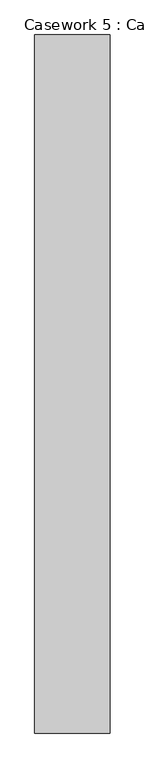
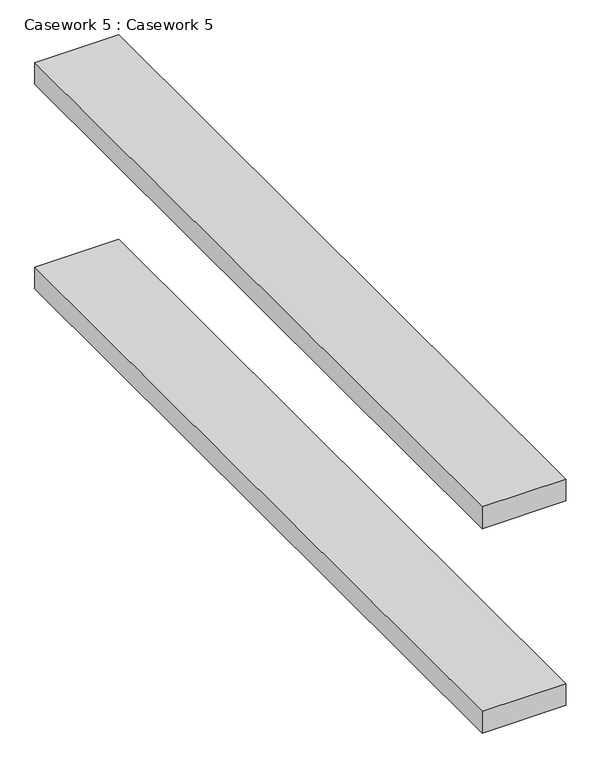
"""IFC4 building model written with IfcOpenShell, lengths in millimetres: furniture geometry, Casework 5 : Casework 5."""

import ifcopenshell
import ifcopenshell.guid

model = None  # the IFC model being written
_history = None  # IfcOwnerHistory: only IFC2X3 demands one
_inside = {}  # id of a spatial element -> (the spatial element, [elements in it])
_under = {}  # id of a project, library or spatial element -> (it, [spatial elements below it])
_declared = {}  # id of a project -> (the project, [libraries it declares])
_typed = {}  # id of a type object -> (the type object, [elements of that type])
_made_of = {}  # id of a material, layer set ... -> (it, [elements and type objects made of it])


def new_model(schema):
    """Start an empty IFC model of exactly this schema.

    Asked for "IFC4X3", IfcOpenShell would pick the latest addendum, in which some entities
    have other attributes; the version numbers below select the first issue.
    IFC2X3 requires an IfcOwnerHistory on every rooted entity: one is made here for all.
    """
    global model, _history
    if schema == "IFC4X3":
        model = ifcopenshell.file(schema_version=(4, 3, 0, 0))
    else:
        model = ifcopenshell.file(schema=schema)
    _inside.clear()
    _under.clear()
    _declared.clear()
    _typed.clear()
    _made_of.clear()
    _history = None
    if model.schema == "IFC2X3":
        org = make("IfcOrganization", Name="unknown")
        user = make(
            "IfcPersonAndOrganization",
            ThePerson=make("IfcPerson", FamilyName="unknown"),
            TheOrganization=org,
        )
        app = make(
            "IfcApplication",
            ApplicationDeveloper=org,
            Version="unknown",
            ApplicationFullName="unknown",
            ApplicationIdentifier="unknown",
        )
        _history = make(
            "IfcOwnerHistory",
            OwningUser=user,
            OwningApplication=app,
            ChangeAction="ADDED",
            CreationDate=0,
        )
    return model


def make(cls, **values):
    """One entity of the class cls with the attributes given. An attribute that is None is left unset."""
    return model.create_entity(
        cls, **{name: value for name, value in values.items() if value is not None}
    )


def rooted(cls, **values):
    """An entity with a GlobalId (a new one), such as an element, a storey or a relation."""
    return make(cls, GlobalId=ifcopenshell.guid.new(), OwnerHistory=_history, **values)


def si_unit(unit_type, name, prefix=None):
    """IfcSIUnit, for example si_unit("LENGTHUNIT", "METRE", prefix="MILLI")."""
    return make("IfcSIUnit", UnitType=unit_type, Prefix=prefix, Name=name)


def assignment(units):
    """IfcUnitAssignment: the units of a project."""
    return None if units is None else make("IfcUnitAssignment", Units=units)


def point(xyz):
    """IfcCartesianPoint."""
    return None if xyz is None else make("IfcCartesianPoint", Coordinates=xyz)


def direction(xyz):
    """IfcDirection."""
    return None if xyz is None else make("IfcDirection", DirectionRatios=xyz)


def frame(location, z_axis=None, x_axis=None):
    """IfcAxis2Placement3D, a coordinate frame: its origin and axes. An axis left out is left unset."""
    return make(
        "IfcAxis2Placement3D",
        Location=point(location),
        Axis=direction(z_axis),
        RefDirection=direction(x_axis),
    )


def origin():
    """The frame at (0, 0, 0) with its axes left unset."""
    return frame((0.0, 0.0, 0.0))


def place(relative_to, where):
    """IfcLocalPlacement: puts the frame where relative to a parent placement (None: the world)."""
    return make(
        "IfcLocalPlacement", PlacementRelTo=relative_to, RelativePlacement=where
    )


def context(
    kind, dimensions, precision=None, world=None, true_north=None, identifier=None
):
    """IfcGeometricRepresentationContext, for example the 3D "Model" context."""
    return make(
        "IfcGeometricRepresentationContext",
        ContextIdentifier=identifier,
        ContextType=kind,
        CoordinateSpaceDimension=dimensions,
        Precision=precision,
        WorldCoordinateSystem=world,
        TrueNorth=true_north,
    )


def project(units=None, contexts=None):
    """IfcProject with its units and contexts."""
    return rooted(
        "IfcProject",
        Name="project",
        RepresentationContexts=contexts,
        UnitsInContext=assignment(units),
    )


def spatial(cls, under=None, at=None, **own):
    """A site, building, storey or space (cls), placed at a placement, below another one or the project."""
    s = rooted(cls, ObjectPlacement=at, **own)
    if under is not None:
        _under.setdefault(under.id(), (under, []))[1].append(s)
    return s


def polyline(points):
    """IfcPolyline through the points."""
    return make("IfcPolyline", Points=[point(p) for p in points])


def outline(outer, holes=None, kind="AREA"):
    """IfcArbitraryClosedProfileDef: a profile drawn as a closed curve; with holes, ...WithVoids."""
    if holes is None:
        return make("IfcArbitraryClosedProfileDef", ProfileType=kind, OuterCurve=outer)
    return make(
        "IfcArbitraryProfileDefWithVoids",
        ProfileType=kind,
        OuterCurve=outer,
        InnerCurves=holes,
    )


def extrude(swept, where, along, depth):
    """IfcExtrudedAreaSolid: the profile swept, set in the frame where, extruded along a direction by depth."""
    return make(
        "IfcExtrudedAreaSolid",
        SweptArea=swept,
        Position=where,
        ExtrudedDirection=direction(along),
        Depth=depth,
    )


def shape(context_of_items, identifier, shape_type, items):
    """IfcShapeRepresentation: the items that make up one representation, for example the "Body"."""
    return make(
        "IfcShapeRepresentation",
        ContextOfItems=context_of_items,
        RepresentationIdentifier=identifier,
        RepresentationType=shape_type,
        Items=items,
    )


def source(mapping_origin, context_of_items, identifier, shape_type, items):
    """IfcRepresentationMap: a shape defined once, which mapped items show again and again."""
    return make(
        "IfcRepresentationMap",
        MappingOrigin=mapping_origin,
        MappedRepresentation=shape(context_of_items, identifier, shape_type, items),
    )


def transform(
    local_origin,
    x_axis=None,
    y_axis=None,
    z_axis=None,
    scale=None,
    scale2=None,
    scale3=None,
    uniform=True,
):
    """IfcCartesianTransformationOperator3D, or its non-uniform kind. x_axis, y_axis, z_axis: its Axis1, 2, 3."""
    if uniform:
        return make(
            "IfcCartesianTransformationOperator3D",
            Axis1=direction(x_axis),
            Axis2=direction(y_axis),
            LocalOrigin=point(local_origin),
            Scale=scale,
            Axis3=direction(z_axis),
        )
    return make(
        "IfcCartesianTransformationOperator3DnonUniform",
        Axis1=direction(x_axis),
        Axis2=direction(y_axis),
        LocalOrigin=point(local_origin),
        Scale=scale,
        Axis3=direction(z_axis),
        Scale2=scale2,
        Scale3=scale3,
    )


def mapped(mapping_source, mapping_target):
    """IfcMappedItem: shows the shape of a source again, moved by a transform."""
    return make(
        "IfcMappedItem", MappingSource=mapping_source, MappingTarget=mapping_target
    )


def made_of(thing, what):
    """Note that an element or type object is made of a material, layer set ...; save() writes the relation."""
    if what is not None:
        _made_of.setdefault(what.id(), (what, []))[1].append(thing)
    return thing


def element(
    cls,
    number,
    at=None,
    inside=None,
    cuts=None,
    type_object=None,
    material=None,
    context=None,
    identifier="Body",
    shape_type=None,
    held_by="IfcProductDefinitionShape",
    body=None,
    shapes=None,
    **own,
):
    """One element of the class cls, such as IfcWall. Its Tag is "e" and its number.

    at: its placement. inside: the storey or other place that contains it. cuts: it is an
    opening in that element (IfcRelVoidsElement). A single representation is given by context,
    identifier, shape_type and body (its items); several are given by shapes. held_by: the class
    of the entity that holds the representations. save() writes the other relations.
    """
    e = rooted(cls, Tag="e%d" % number, ObjectPlacement=at, **own)
    if body is not None:
        shapes = [shape(context, identifier, shape_type, body)]
    if shapes is not None:
        e.Representation = make(held_by, Representations=shapes)
    if inside is not None:
        _inside.setdefault(inside.id(), (inside, []))[1].append(e)
    if cuts is not None:
        rooted(
            "IfcRelVoidsElement", RelatingBuildingElement=cuts, RelatedOpeningElement=e
        )
    if type_object is not None:
        _typed.setdefault(type_object.id(), (type_object, []))[1].append(e)
    return made_of(e, material)


def aggregate(whole, parts):
    """IfcRelAggregates: a whole, such as a stair, and the parts it consists of."""
    return rooted("IfcRelAggregates", RelatingObject=whole, RelatedObjects=parts)


def save(model, path):
    """Write the relations noted so far, then the file.

    IfcRelAggregates (storeys below a building ...), IfcRelContainedInSpatialStructure (elements
    in a storey), IfcRelDefinesByType, IfcRelAssociatesMaterial and IfcRelDeclares: one each for
    every whole, place, type object, material and project.
    """
    for whole, parts in _under.values():
        aggregate(whole, parts)
    for where, things in _inside.values():
        rooted(
            "IfcRelContainedInSpatialStructure",
            RelatedElements=things,
            RelatingStructure=where,
        )
    for kind, things in _typed.values():
        rooted("IfcRelDefinesByType", RelatedObjects=things, RelatingType=kind)
    for what, things in _made_of.values():
        rooted("IfcRelAssociatesMaterial", RelatedObjects=things, RelatingMaterial=what)
    for by, libraries in _declared.values():
        rooted("IfcRelDeclares", RelatingContext=by, RelatedDefinitions=libraries)
    model.write(path)


def casework_5_casework_5_c278cda3(model_context):
    return source(origin(), model_context, "Body", "SweptSolid", [
        extrude(outline(polyline([(-24136.6286865, -6537.7785173), (-23930.2536865, -6537.7785173), (-23930.2536865, -8449.2811541), (-24136.6286865, -8449.2811541), (-24136.6286865, -6537.7785173)])), frame((0.0, 0.0, -4876.6120896), z_axis=(0.0, 0.0, 1.0), x_axis=(1.0, 0.0, 0.0)), (0.0, 0.0, 1.0), 57.15),
        extrude(outline(polyline([(-24136.6286865, -6537.7785173), (-23930.2536865, -6537.7785173), (-23930.2536865, -8449.2811541), (-24136.6286865, -8449.2811541), (-24136.6286865, -6537.7785173)])), frame((0.0, 0.0, -5410.0120896), z_axis=(0.0, 0.0, 1.0), x_axis=(1.0, 0.0, 0.0)), (0.0, 0.0, 1.0), 57.15),
    ])


if __name__ == "__main__":
    model = new_model("IFC4")
    model_context = context("Model", 3, world=origin())
    ifc_project = project(units=[si_unit("LENGTHUNIT", "METRE", prefix="MILLI")], contexts=[model_context])
    site = spatial("IfcSite", under=ifc_project)
    building = spatial("IfcBuilding", under=site)
    placement = place(None, origin())
    casework_5_casework_5_shape = casework_5_casework_5_c278cda3(model_context)
    element("IfcFurniture", 1, ObjectType="Casework 5 : Casework 5", at=placement, inside=building, context=model_context, shape_type="MappedRepresentation", body=[
        mapped(casework_5_casework_5_shape, transform((0.0, 0.0, 0.0), x_axis=(1.0, 0.0, 0.0), y_axis=(0.0, 1.0, 0.0), z_axis=(0.0, 0.0, 1.0))),
    ])
    save(model, "model.ifc")
